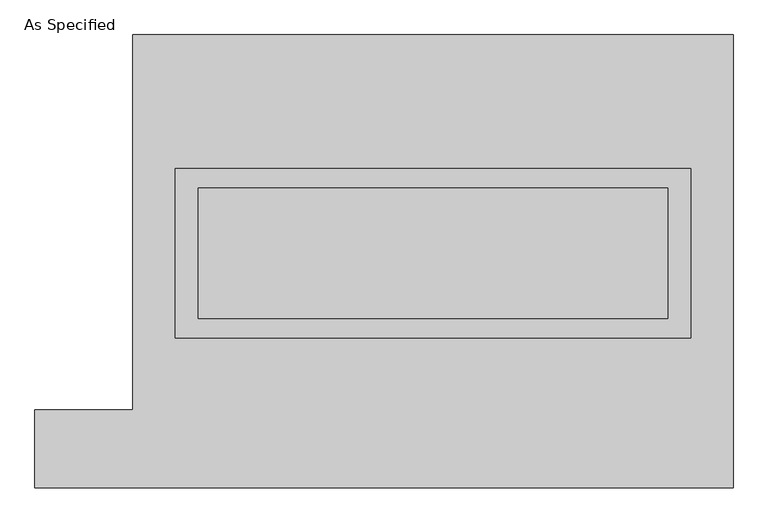
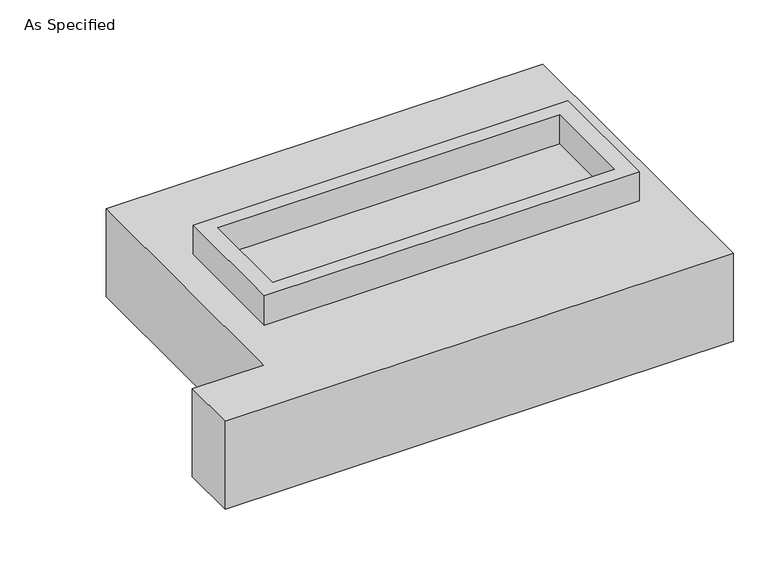
"""IFC4 building model written with IfcOpenShell, lengths in millimetres: proxy geometry, As Specified."""

from ifc_helpers import new_model, si_unit, frame, origin, place, context, project, spatial, polyline, outline, extrude, source, transform, mapped, element, save


def as_specified_08b138cc(model_context):
    return source(origin(), model_context, "Body", "SweptSolid", [
        extrude(outline(polyline([(1003.3, 361.95), (1003.3, -298.45), (-1003.3, -298.45), (-1003.3, 361.95), (1003.3, 361.95)]), holes=[polyline([(914.4, 285.75), (-914.4, 285.75), (-914.4, -222.25), (914.4, -222.25), (914.4, 285.75)])]), frame((0.0, 0.0, -688.975), z_axis=(0.0, 0.0, 1.0), x_axis=(1.0, 0.0, 0.0)), (0.0, 0.0, 1.0), 165.1),
        extrude(outline(polyline([(1003.3, 361.95), (1003.3, -298.45), (-1003.3, -298.45), (-1003.3, 361.95), (1003.3, 361.95)]), holes=[polyline([(914.4, 285.75), (-914.4, 285.75), (-914.4, -222.25), (914.4, -222.25), (914.4, 285.75)])]), frame((0.0, 0.0, -25.4), z_axis=(0.0, 0.0, 1.0), x_axis=(1.0, 0.0, 0.0)), (0.0, 0.0, 1.0), 165.1),
        extrude(outline(polyline([(914.4, 285.75), (914.4, -222.25), (-914.4, -222.25), (-914.4, 285.75), (914.4, 285.75)])), frame((0.0, 0.0, -523.875), z_axis=(0.0, 0.0, 1.0), x_axis=(1.0, 0.0, 0.0)), (0.0, 0.0, 1.0), 4.9609375),
        extrude(outline(polyline([(914.4, 285.75), (914.4, -222.25), (-914.4, -222.25), (-914.4, 285.75), (914.4, 285.75)])), frame((0.0, 0.0, -30.3609375), z_axis=(0.0, 0.0, 1.0), x_axis=(1.0, 0.0, 0.0)), (0.0, 0.0, 1.0), 4.9609375),
        extrude(outline(polyline([(-1168.4, 882.65), (1168.4, 882.65), (1168.4, -882.65), (-1549.4, -882.65), (-1549.4, -577.85), (-1168.4, -577.85), (-1168.4, 882.65)]), holes=[polyline([(-1003.3, 361.95), (-1003.3, -298.45), (1003.3, -298.45), (1003.3, 361.95), (-1003.3, 361.95)])]), frame((0.0, 0.0, -523.875), z_axis=(0.0, 0.0, 1.0), x_axis=(1.0, 0.0, 0.0)), (0.0, 0.0, 1.0), 498.475),
    ])


if __name__ == "__main__":
    model = new_model("IFC4")
    model_context = context("Model", 3, world=origin())
    ifc_project = project(units=[si_unit("LENGTHUNIT", "METRE", prefix="MILLI")], contexts=[model_context])
    site = spatial("IfcSite", under=ifc_project)
    building = spatial("IfcBuilding", under=site)
    placement = place(None, origin())
    as_specified_shape = as_specified_08b138cc(model_context)
    element("IfcBuildingElementProxy", 1, Name="As Specified", ObjectType="As Specified", at=placement, inside=building, context=model_context, shape_type="MappedRepresentation", body=[
        mapped(as_specified_shape, transform((0.0, 0.0, 0.0), x_axis=(1.0, 0.0, 0.0), y_axis=(0.0, 1.0, 0.0), z_axis=(0.0, 0.0, 1.0))),
    ])
    save(model, "model.ifc")
